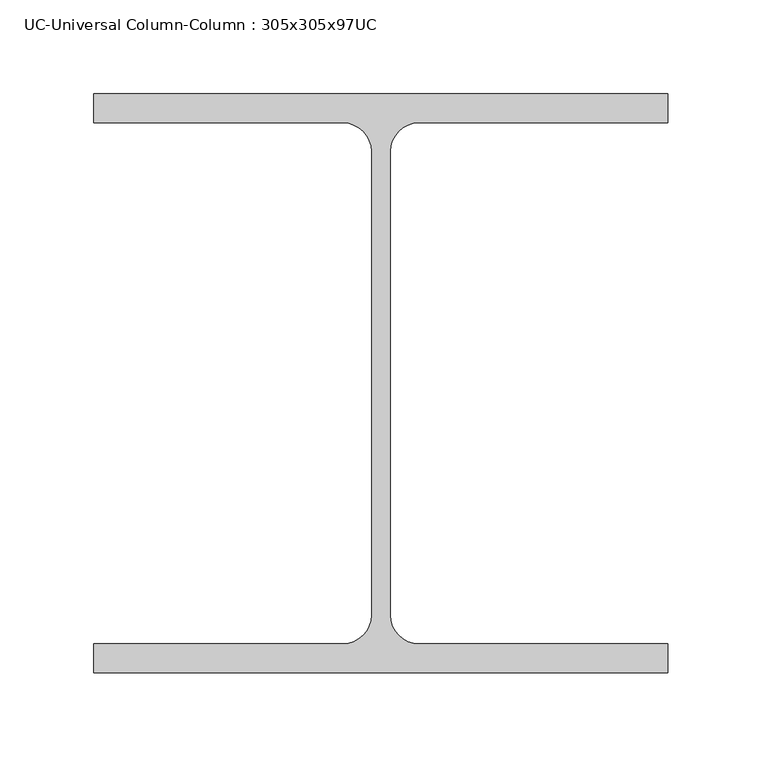
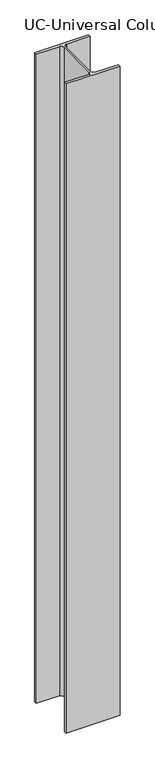
"""IFC4 building model written with IfcOpenShell, lengths in millimetres: column geometry, UC-Universal Column-Column : 305x305x97UC."""

import ifcopenshell
import ifcopenshell.guid

model = None  # the IFC model being written
_history = None  # IfcOwnerHistory: only IFC2X3 demands one
_inside = {}  # id of a spatial element -> (the spatial element, [elements in it])
_under = {}  # id of a project, library or spatial element -> (it, [spatial elements below it])
_declared = {}  # id of a project -> (the project, [libraries it declares])
_typed = {}  # id of a type object -> (the type object, [elements of that type])
_made_of = {}  # id of a material, layer set ... -> (it, [elements and type objects made of it])


def new_model(schema):
    """Start an empty IFC model of exactly this schema.

    Asked for "IFC4X3", IfcOpenShell would pick the latest addendum, in which some entities
    have other attributes; the version numbers below select the first issue.
    IFC2X3 requires an IfcOwnerHistory on every rooted entity: one is made here for all.
    """
    global model, _history
    if schema == "IFC4X3":
        model = ifcopenshell.file(schema_version=(4, 3, 0, 0))
    else:
        model = ifcopenshell.file(schema=schema)
    _inside.clear()
    _under.clear()
    _declared.clear()
    _typed.clear()
    _made_of.clear()
    _history = None
    if model.schema == "IFC2X3":
        org = make("IfcOrganization", Name="unknown")
        user = make(
            "IfcPersonAndOrganization",
            ThePerson=make("IfcPerson", FamilyName="unknown"),
            TheOrganization=org,
        )
        app = make(
            "IfcApplication",
            ApplicationDeveloper=org,
            Version="unknown",
            ApplicationFullName="unknown",
            ApplicationIdentifier="unknown",
        )
        _history = make(
            "IfcOwnerHistory",
            OwningUser=user,
            OwningApplication=app,
            ChangeAction="ADDED",
            CreationDate=0,
        )
    return model


def make(cls, **values):
    """One entity of the class cls with the attributes given. An attribute that is None is left unset."""
    return model.create_entity(
        cls, **{name: value for name, value in values.items() if value is not None}
    )


def rooted(cls, **values):
    """An entity with a GlobalId (a new one), such as an element, a storey or a relation."""
    return make(cls, GlobalId=ifcopenshell.guid.new(), OwnerHistory=_history, **values)


def si_unit(unit_type, name, prefix=None):
    """IfcSIUnit, for example si_unit("LENGTHUNIT", "METRE", prefix="MILLI")."""
    return make("IfcSIUnit", UnitType=unit_type, Prefix=prefix, Name=name)


def assignment(units):
    """IfcUnitAssignment: the units of a project."""
    return None if units is None else make("IfcUnitAssignment", Units=units)


def point(xyz):
    """IfcCartesianPoint."""
    return None if xyz is None else make("IfcCartesianPoint", Coordinates=xyz)


def direction(xyz):
    """IfcDirection."""
    return None if xyz is None else make("IfcDirection", DirectionRatios=xyz)


def frame(location, z_axis=None, x_axis=None):
    """IfcAxis2Placement3D, a coordinate frame: its origin and axes. An axis left out is left unset."""
    return make(
        "IfcAxis2Placement3D",
        Location=point(location),
        Axis=direction(z_axis),
        RefDirection=direction(x_axis),
    )


def frame_2d(location, x_axis=None):
    """IfcAxis2Placement2D, a coordinate frame in the plane: its origin and x axis."""
    return make(
        "IfcAxis2Placement2D", Location=point(location), RefDirection=direction(x_axis)
    )


def origin():
    """The frame at (0, 0, 0) with its axes left unset."""
    return frame((0.0, 0.0, 0.0))


def place(relative_to, where):
    """IfcLocalPlacement: puts the frame where relative to a parent placement (None: the world)."""
    return make(
        "IfcLocalPlacement", PlacementRelTo=relative_to, RelativePlacement=where
    )


def context(
    kind, dimensions, precision=None, world=None, true_north=None, identifier=None
):
    """IfcGeometricRepresentationContext, for example the 3D "Model" context."""
    return make(
        "IfcGeometricRepresentationContext",
        ContextIdentifier=identifier,
        ContextType=kind,
        CoordinateSpaceDimension=dimensions,
        Precision=precision,
        WorldCoordinateSystem=world,
        TrueNorth=true_north,
    )


def project(units=None, contexts=None):
    """IfcProject with its units and contexts."""
    return rooted(
        "IfcProject",
        Name="project",
        RepresentationContexts=contexts,
        UnitsInContext=assignment(units),
    )


def spatial(cls, under=None, at=None, **own):
    """A site, building, storey or space (cls), placed at a placement, below another one or the project."""
    s = rooted(cls, ObjectPlacement=at, **own)
    if under is not None:
        _under.setdefault(under.id(), (under, []))[1].append(s)
    return s


def polyline(points):
    """IfcPolyline through the points."""
    return make("IfcPolyline", Points=[point(p) for p in points])


def circle_curve(where, radius):
    """IfcCircle in the frame where."""
    return make("IfcCircle", Position=where, Radius=radius)


def trimmed(basis, trim1, trim2, sense, master):
    """IfcTrimmedCurve: the piece of a basis curve between two trims."""
    return make(
        "IfcTrimmedCurve",
        BasisCurve=basis,
        Trim1=trim1,
        Trim2=trim2,
        SenseAgreement=sense,
        MasterRepresentation=master,
    )


def segment(curve, same_sense, transition):
    """IfcCompositeCurveSegment."""
    return make(
        "IfcCompositeCurveSegment",
        Transition=transition,
        SameSense=same_sense,
        ParentCurve=curve,
    )


def composite_curve(segments, self_intersect=None):
    """IfcCompositeCurve: segments joined end to end."""
    return make("IfcCompositeCurve", Segments=segments, SelfIntersect=self_intersect)


def outline(outer, holes=None, kind="AREA"):
    """IfcArbitraryClosedProfileDef: a profile drawn as a closed curve; with holes, ...WithVoids."""
    if holes is None:
        return make("IfcArbitraryClosedProfileDef", ProfileType=kind, OuterCurve=outer)
    return make(
        "IfcArbitraryProfileDefWithVoids",
        ProfileType=kind,
        OuterCurve=outer,
        InnerCurves=holes,
    )


def extrude(swept, where, along, depth):
    """IfcExtrudedAreaSolid: the profile swept, set in the frame where, extruded along a direction by depth."""
    return make(
        "IfcExtrudedAreaSolid",
        SweptArea=swept,
        Position=where,
        ExtrudedDirection=direction(along),
        Depth=depth,
    )


def shape(context_of_items, identifier, shape_type, items):
    """IfcShapeRepresentation: the items that make up one representation, for example the "Body"."""
    return make(
        "IfcShapeRepresentation",
        ContextOfItems=context_of_items,
        RepresentationIdentifier=identifier,
        RepresentationType=shape_type,
        Items=items,
    )


def source(mapping_origin, context_of_items, identifier, shape_type, items):
    """IfcRepresentationMap: a shape defined once, which mapped items show again and again."""
    return make(
        "IfcRepresentationMap",
        MappingOrigin=mapping_origin,
        MappedRepresentation=shape(context_of_items, identifier, shape_type, items),
    )


def transform(
    local_origin,
    x_axis=None,
    y_axis=None,
    z_axis=None,
    scale=None,
    scale2=None,
    scale3=None,
    uniform=True,
):
    """IfcCartesianTransformationOperator3D, or its non-uniform kind. x_axis, y_axis, z_axis: its Axis1, 2, 3."""
    if uniform:
        return make(
            "IfcCartesianTransformationOperator3D",
            Axis1=direction(x_axis),
            Axis2=direction(y_axis),
            LocalOrigin=point(local_origin),
            Scale=scale,
            Axis3=direction(z_axis),
        )
    return make(
        "IfcCartesianTransformationOperator3DnonUniform",
        Axis1=direction(x_axis),
        Axis2=direction(y_axis),
        LocalOrigin=point(local_origin),
        Scale=scale,
        Axis3=direction(z_axis),
        Scale2=scale2,
        Scale3=scale3,
    )


def mapped(mapping_source, mapping_target):
    """IfcMappedItem: shows the shape of a source again, moved by a transform."""
    return make(
        "IfcMappedItem", MappingSource=mapping_source, MappingTarget=mapping_target
    )


def made_of(thing, what):
    """Note that an element or type object is made of a material, layer set ...; save() writes the relation."""
    if what is not None:
        _made_of.setdefault(what.id(), (what, []))[1].append(thing)
    return thing


def element(
    cls,
    number,
    at=None,
    inside=None,
    cuts=None,
    type_object=None,
    material=None,
    context=None,
    identifier="Body",
    shape_type=None,
    held_by="IfcProductDefinitionShape",
    body=None,
    shapes=None,
    **own,
):
    """One element of the class cls, such as IfcWall. Its Tag is "e" and its number.

    at: its placement. inside: the storey or other place that contains it. cuts: it is an
    opening in that element (IfcRelVoidsElement). A single representation is given by context,
    identifier, shape_type and body (its items); several are given by shapes. held_by: the class
    of the entity that holds the representations. save() writes the other relations.
    """
    e = rooted(cls, Tag="e%d" % number, ObjectPlacement=at, **own)
    if body is not None:
        shapes = [shape(context, identifier, shape_type, body)]
    if shapes is not None:
        e.Representation = make(held_by, Representations=shapes)
    if inside is not None:
        _inside.setdefault(inside.id(), (inside, []))[1].append(e)
    if cuts is not None:
        rooted(
            "IfcRelVoidsElement", RelatingBuildingElement=cuts, RelatedOpeningElement=e
        )
    if type_object is not None:
        _typed.setdefault(type_object.id(), (type_object, []))[1].append(e)
    return made_of(e, material)


def aggregate(whole, parts):
    """IfcRelAggregates: a whole, such as a stair, and the parts it consists of."""
    return rooted("IfcRelAggregates", RelatingObject=whole, RelatedObjects=parts)


def save(model, path):
    """Write the relations noted so far, then the file.

    IfcRelAggregates (storeys below a building ...), IfcRelContainedInSpatialStructure (elements
    in a storey), IfcRelDefinesByType, IfcRelAssociatesMaterial and IfcRelDeclares: one each for
    every whole, place, type object, material and project.
    """
    for whole, parts in _under.values():
        aggregate(whole, parts)
    for where, things in _inside.values():
        rooted(
            "IfcRelContainedInSpatialStructure",
            RelatedElements=things,
            RelatingStructure=where,
        )
    for kind, things in _typed.values():
        rooted("IfcRelDefinesByType", RelatedObjects=things, RelatingType=kind)
    for what, things in _made_of.values():
        rooted("IfcRelAssociatesMaterial", RelatedObjects=things, RelatingMaterial=what)
    for by, libraries in _declared.values():
        rooted("IfcRelDeclares", RelatingContext=by, RelatedDefinitions=libraries)
    model.write(path)


def uc_universal_column_column_305x305x97uc_358ef7d2(model_context):
    return source(origin(), model_context, "Body", "SweptSolid", [
        extrude(outline(composite_curve([segment(polyline([(152.65, 153.95), (152.65, 138.55), (20.15, 138.55)]), True, "CONTINUOUS"), segment(trimmed(circle_curve(frame_2d((20.15, 123.35)), 15.2), [point((20.15, 138.55))], [point((4.95, 123.35))], True, "CARTESIAN"), True, "CONTINUOUS"), segment(polyline([(4.95, 123.35), (4.95, -123.35)]), True, "CONTINUOUS"), segment(trimmed(circle_curve(frame_2d((20.15, -123.35)), 15.2), [point((4.95, -123.35))], [point((20.15, -138.55))], True, "CARTESIAN"), True, "CONTINUOUS"), segment(polyline([(20.15, -138.55), (152.65, -138.55), (152.65, -153.95), (-152.65, -153.95), (-152.65, -138.55), (-20.15, -138.55)]), True, "CONTINUOUS"), segment(trimmed(circle_curve(frame_2d((-20.15, -123.35)), 15.2), [point((-20.15, -138.55))], [point((-4.95, -123.35))], True, "CARTESIAN"), True, "CONTINUOUS"), segment(polyline([(-4.95, -123.35), (-4.95, 123.35)]), True, "CONTINUOUS"), segment(trimmed(circle_curve(frame_2d((-20.15, 123.35)), 15.2), [point((-4.95, 123.35))], [point((-20.15, 138.55))], True, "CARTESIAN"), True, "CONTINUOUS"), segment(polyline([(-20.15, 138.55), (-152.65, 138.55), (-152.65, 153.95), (152.65, 153.95)]), True, "CONTINUOUS")], self_intersect=False)), frame((0.0, 0.0, 12962.0), z_axis=(0.0, 0.0, 1.0), x_axis=(1.0, 0.0, 0.0)), (0.0, 0.0, 1.0), 3888.8865284),
    ])


if __name__ == "__main__":
    model = new_model("IFC4")
    model_context = context("Model", 3, world=origin())
    ifc_project = project(units=[si_unit("LENGTHUNIT", "METRE", prefix="MILLI")], contexts=[model_context])
    site = spatial("IfcSite", under=ifc_project)
    building = spatial("IfcBuilding", under=site)
    placement = place(None, origin())
    uc_universal_column_column_305x305x97uc_shape = uc_universal_column_column_305x305x97uc_358ef7d2(model_context)
    element("IfcColumn", 1, ObjectType="UC-Universal Column-Column : 305x305x97UC", at=placement, inside=building, context=model_context, shape_type="MappedRepresentation", body=[
        mapped(uc_universal_column_column_305x305x97uc_shape, transform((0.0, 0.0, 0.0), x_axis=(1.0, 0.0, 0.0), y_axis=(0.0, 1.0, 0.0), z_axis=(0.0, 0.0, 1.0))),
    ])
    save(model, "model.ifc")
